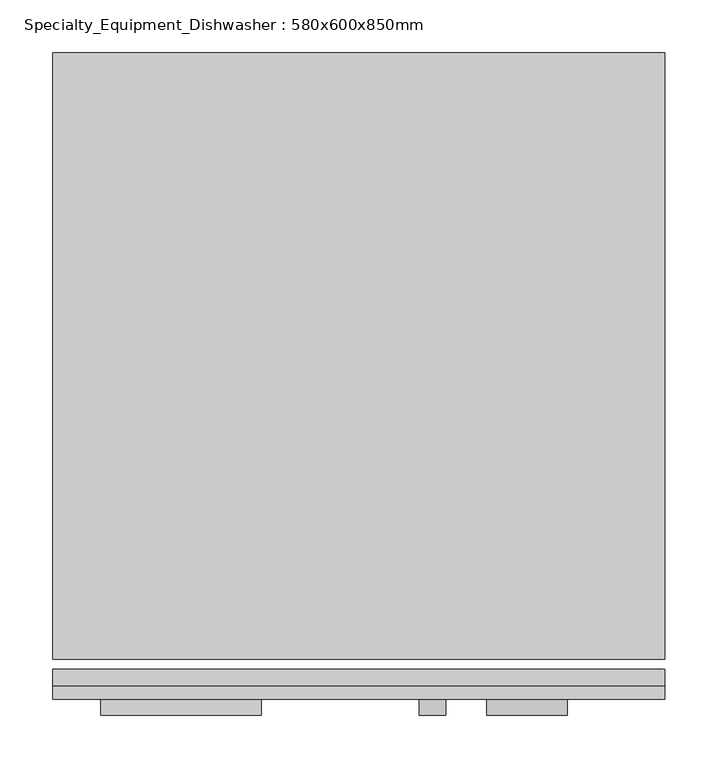
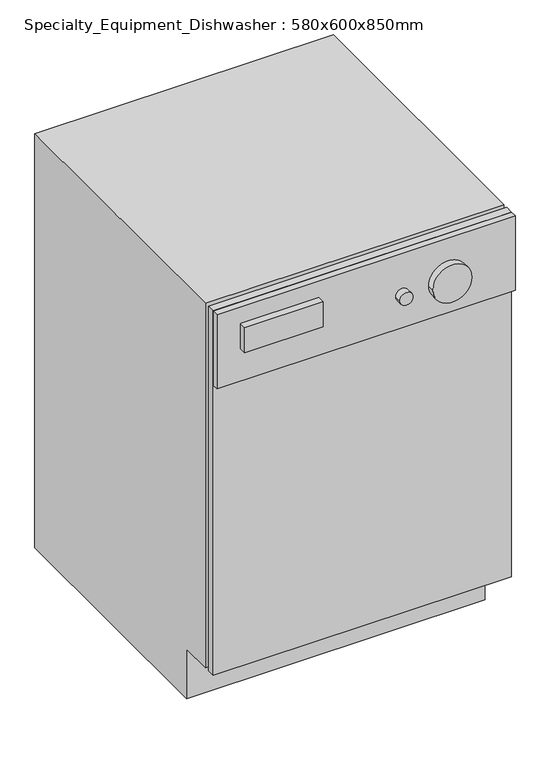
"""IFC4 building model written with IfcOpenShell, lengths in millimetres: proxy geometry, Specialty_Equipment_Dishwasher : 580x600x850mm."""

from ifc_helpers import new_model, si_unit, point, frame, frame_2d, origin, place, context, project, spatial, polyline, circle_curve, trimmed, segment, composite_curve, outline, extrude, source, transform, mapped, element, save


def specialty_equipment_dishwasher_580x600x850mm_531681e6(model_context):
    return source(origin(), model_context, "Body", "SweptSolid", [
        extrude(outline(polyline([(657.5174685, -38.3504352), (77.5174685, -38.3504352), (77.5174685, -22.4754352), (657.5174685, -22.4754352), (657.5174685, -38.3504352)])), frame((0.0, 0.0, 101.6), z_axis=(0.0, 0.0, 1.0), x_axis=(1.0, 0.0, 0.0)), (0.0, 0.0, 1.0), 748.4),
        extrude(outline(polyline([(657.5174685, -38.3504352), (657.5174685, -51.0504352), (77.5174685, -51.0504352), (77.5174685, -38.3504352), (657.5174685, -38.3504352)])), frame((0.0, 0.0, 697.6), z_axis=(0.0, 0.0, 1.0), x_axis=(1.0, 0.0, 0.0)), (0.0, 0.0, 1.0), 152.4),
        extrude(outline(polyline([(561.6495648, 0.0), (50.5495648, 0.0), (50.5495648, 101.6), (-12.9504352, 101.6), (-12.9504352, 850.0), (561.6495648, 850.0), (561.6495648, 0.0)])), frame((77.5174685, 0.0, 0.0), z_axis=(1.0, 0.0, 0.0), x_axis=(0.0, 1.0, 0.0)), (0.0, 0.0, 1.0), 580.0),
        extrude(outline(polyline([(275.2347603, -66.0504352), (122.8347603, -66.0504352), (122.8347603, -51.0504352), (275.2347603, -51.0504352), (275.2347603, -66.0504352)])), frame((0.0, 0.0, 765.6663551), z_axis=(0.0, 0.0, 1.0), x_axis=(1.0, 0.0, 0.0)), (0.0, 0.0, 1.0), 50.8),
        extrude(outline(composite_curve([segment(trimmed(circle_curve(frame_2d((765.6663551, 437.3393328)), 12.7), [point((765.6663551, 450.0393328))], [point((765.6663551, 424.6393328))], False, "CARTESIAN"), True, "CONTINUOUS"), segment(trimmed(circle_curve(frame_2d((765.6663551, 437.3393328)), 12.7), [point((765.6663551, 424.6393328))], [point((765.6663551, 450.0393328))], False, "CARTESIAN"), True, "CONTINUOUS")], self_intersect=False)), frame((0.0, -66.0504352, 0.0), z_axis=(0.0, 1.0, 0.0), x_axis=(0.0, 0.0, 1.0)), (0.0, 0.0, 1.0), 15.0),
        extrude(outline(composite_curve([segment(trimmed(circle_curve(frame_2d((765.6663551, 526.7855874)), 38.1), [point((765.6663551, 564.8855874))], [point((765.6663551, 488.6855874))], False, "CARTESIAN"), True, "CONTINUOUS"), segment(trimmed(circle_curve(frame_2d((765.6663551, 526.7855874)), 38.1), [point((765.6663551, 488.6855874))], [point((765.6663551, 564.8855874))], False, "CARTESIAN"), True, "CONTINUOUS")], self_intersect=False)), frame((0.0, -66.0504352, 0.0), z_axis=(0.0, 1.0, 0.0), x_axis=(0.0, 0.0, 1.0)), (0.0, 0.0, 1.0), 15.0),
    ])


if __name__ == "__main__":
    model = new_model("IFC4")
    model_context = context("Model", 3, world=origin())
    ifc_project = project(units=[si_unit("LENGTHUNIT", "METRE", prefix="MILLI")], contexts=[model_context])
    site = spatial("IfcSite", under=ifc_project)
    building = spatial("IfcBuilding", under=site)
    placement = place(None, origin())
    specialty_equipment_dishwasher_580x600x850mm_shape = specialty_equipment_dishwasher_580x600x850mm_531681e6(model_context)
    element("IfcBuildingElementProxy", 1, Name="Specialty_Equipment_Dishwasher : 580x600x850mm", ObjectType="Specialty_Equipment_Dishwasher : 580x600x850mm", at=placement, inside=building, context=model_context, shape_type="MappedRepresentation", body=[
        mapped(specialty_equipment_dishwasher_580x600x850mm_shape, transform((0.0, 0.0, 0.0), x_axis=(1.0, 0.0, 0.0), y_axis=(0.0, 1.0, 0.0), z_axis=(0.0, 0.0, 1.0))),
    ])
    save(model, "model.ifc")
